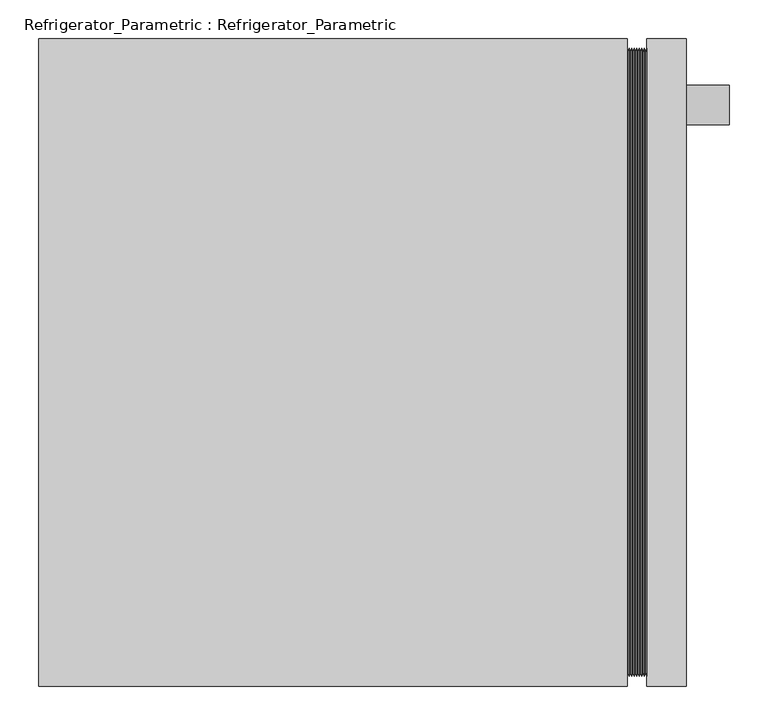
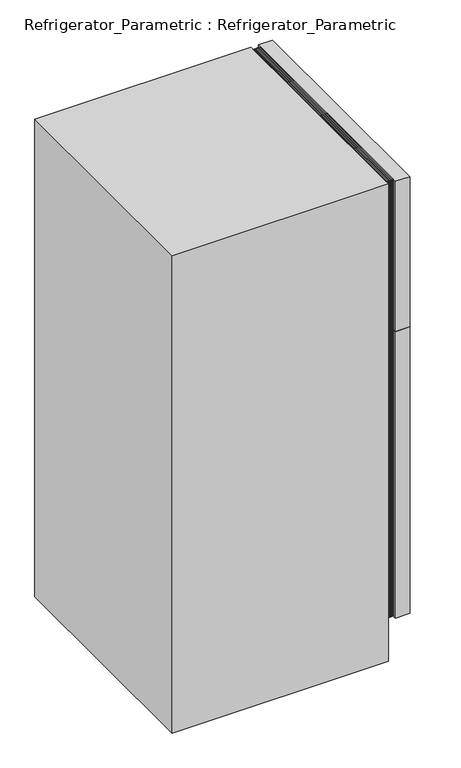
"""IFC4 building model written with IfcOpenShell, lengths in millimetres: proxy geometry, Refrigerator_Parametric : Refrigerator_Parametric."""

from ifc_helpers import new_model, si_unit, point, frame, frame_2d, origin, place, context, project, spatial, polyline, circle_curve, trimmed, segment, composite_curve, outline, extrude, faceted_brep, source, transform, mapped, element, save


def refrigerator_parametric_refrigerator_parametric_f3fd9008(model_context):
    return source(origin(), model_context, "Body", "SolidModel", [
        faceted_brep([(762.747486, -18.833629, 1771.866371), (762.747486, -18.833629, 1225.333629), (762.0, -12.7, 1219.2), (762.0, -12.7, 1778.0), (764.3909869, -12.7, 1778.0), (764.3909869, -12.7, 1219.2), (766.0344878, -18.833629, 1771.866371), (766.0344878, -18.833629, 1225.333629), (767.6779888, -12.7, 1778.0), (767.6779888, -12.7, 1219.2), (769.3214897, -18.833629, 1771.866371), (769.3214897, -18.833629, 1225.333629), (770.9649906, -12.7, 1778.0), (770.9649906, -12.7, 1219.2), (772.6084916, -18.833629, 1771.866371), (772.6084916, -18.833629, 1225.333629), (774.2519925, -12.7, 1778.0), (774.2519925, -12.7, 1219.2), (775.8954934, -18.833629, 1771.866371), (775.8954934, -18.833629, 1225.333629), (777.5389944, -12.7, 1778.0), (777.5389944, -12.7, 1219.2), (779.1824953, -18.833629, 1771.866371), (779.1824953, -18.833629, 1225.333629), (780.8259963, -12.7, 1778.0), (780.8259963, -12.7, 1219.2), (782.4694972, -18.833629, 1771.866371), (782.4694972, -18.833629, 1225.333629), (784.1129981, -12.7, 1778.0), (784.1129981, -12.7, 1219.2), (785.7564991, -18.833629, 1771.866371), (785.7564991, -18.833629, 1225.333629), (787.4, -12.7, 1778.0), (787.4, -12.7, 1219.2), (786.652514, -31.966371, 1758.733629), (786.652514, -31.966371, 1238.466371), (787.4, -38.1, 1244.6), (787.4, -38.1, 1752.6), (785.0090131, -38.1, 1752.6), (785.0090131, -38.1, 1244.6), (783.3655122, -31.966371, 1758.733629), (783.3655122, -31.966371, 1238.466371), (781.7220112, -38.1, 1752.6), (781.7220112, -38.1, 1244.6), (780.0785103, -31.966371, 1758.733629), (780.0785103, -31.966371, 1238.466371), (778.4350094, -38.1, 1752.6), (778.4350094, -38.1, 1244.6), (776.7915084, -31.966371, 1758.733629), (776.7915084, -31.966371, 1238.466371), (775.1480075, -38.1, 1752.6), (775.1480075, -38.1, 1244.6), (773.5045066, -31.966371, 1758.733629), (773.5045066, -31.966371, 1238.466371), (771.8610056, -38.1, 1752.6), (771.8610056, -38.1, 1244.6), (770.2175047, -31.966371, 1758.733629), (770.2175047, -31.966371, 1238.466371), (768.5740037, -38.1, 1752.6), (768.5740037, -38.1, 1244.6), (766.9305028, -31.966371, 1758.733629), (766.9305028, -31.966371, 1238.466371), (765.2870019, -38.1, 1752.6), (765.2870019, -38.1, 1244.6), (763.6435009, -31.966371, 1758.733629), (763.6435009, -31.966371, 1238.466371), (762.0, -38.1, 1752.6), (762.0, -38.1, 1244.6), (762.747486, -819.366371, 1225.333629), (762.0, -825.5, 1219.2), (764.3909869, -825.5, 1219.2), (766.0344878, -819.366371, 1225.333629), (767.6779888, -825.5, 1219.2), (769.3214897, -819.366371, 1225.333629), (770.9649906, -825.5, 1219.2), (772.6084916, -819.366371, 1225.333629), (774.2519925, -825.5, 1219.2), (775.8954934, -819.366371, 1225.333629), (777.5389944, -825.5, 1219.2), (779.1824953, -819.366371, 1225.333629), (780.8259963, -825.5, 1219.2), (782.4694972, -819.366371, 1225.333629), (784.1129981, -825.5, 1219.2), (785.7564991, -819.366371, 1225.333629), (787.4, -825.5, 1219.2), (786.652514, -806.233629, 1238.466371), (787.4, -800.1, 1244.6), (785.0090131, -800.1, 1244.6), (783.3655122, -806.233629, 1238.466371), (781.7220112, -800.1, 1244.6), (780.0785103, -806.233629, 1238.466371), (778.4350094, -800.1, 1244.6), (776.7915084, -806.233629, 1238.466371), (775.1480075, -800.1, 1244.6), (773.5045066, -806.233629, 1238.466371), (771.8610056, -800.1, 1244.6), (770.2175047, -806.233629, 1238.466371), (768.5740037, -800.1, 1244.6), (766.9305028, -806.233629, 1238.466371), (765.2870019, -800.1, 1244.6), (763.6435009, -806.233629, 1238.466371), (762.0, -800.1, 1244.6), (762.747486, -819.366371, 1771.866371), (762.0, -825.5, 1778.0), (764.3909869, -825.5, 1778.0), (766.0344878, -819.366371, 1771.866371), (767.6779888, -825.5, 1778.0), (769.3214897, -819.366371, 1771.866371), (770.9649906, -825.5, 1778.0), (772.6084916, -819.366371, 1771.866371), (774.2519925, -825.5, 1778.0), (775.8954934, -819.366371, 1771.866371), (777.5389944, -825.5, 1778.0), (779.1824953, -819.366371, 1771.866371), (780.8259963, -825.5, 1778.0), (782.4694972, -819.366371, 1771.866371), (784.1129981, -825.5, 1778.0), (785.7564991, -819.366371, 1771.866371), (787.4, -825.5, 1778.0), (786.652514, -806.233629, 1758.733629), (787.4, -800.1, 1752.6), (785.0090131, -800.1, 1752.6), (783.3655122, -806.233629, 1758.733629), (781.7220112, -800.1, 1752.6), (780.0785103, -806.233629, 1758.733629), (778.4350094, -800.1, 1752.6), (776.7915084, -806.233629, 1758.733629), (775.1480075, -800.1, 1752.6), (773.5045066, -806.233629, 1758.733629), (771.8610056, -800.1, 1752.6), (770.2175047, -806.233629, 1758.733629), (768.5740037, -800.1, 1752.6), (766.9305028, -806.233629, 1758.733629), (765.2870019, -800.1, 1752.6), (763.6435009, -806.233629, 1758.733629), (762.0, -800.1, 1752.6)], [[[0, 1, 2, 3]], [[4, 5, 1, 0]], [[6, 7, 5, 4]], [[8, 9, 7, 6]], [[10, 11, 9, 8]], [[12, 13, 11, 10]], [[14, 15, 13, 12]], [[16, 17, 15, 14]], [[18, 19, 17, 16]], [[20, 21, 19, 18]], [[22, 23, 21, 20]], [[24, 25, 23, 22]], [[26, 27, 25, 24]], [[28, 29, 27, 26]], [[30, 31, 29, 28]], [[32, 33, 31, 30]], [[34, 35, 36, 37]], [[38, 39, 35, 34]], [[40, 41, 39, 38]], [[42, 43, 41, 40]], [[44, 45, 43, 42]], [[46, 47, 45, 44]], [[48, 49, 47, 46]], [[50, 51, 49, 48]], [[52, 53, 51, 50]], [[54, 55, 53, 52]], [[56, 57, 55, 54]], [[58, 59, 57, 56]], [[60, 61, 59, 58]], [[62, 63, 61, 60]], [[64, 65, 63, 62]], [[66, 67, 65, 64]], [[1, 68, 69, 2]], [[5, 70, 68, 1]], [[7, 71, 70, 5]], [[9, 72, 71, 7]], [[11, 73, 72, 9]], [[13, 74, 73, 11]], [[15, 75, 74, 13]], [[17, 76, 75, 15]], [[19, 77, 76, 17]], [[21, 78, 77, 19]], [[23, 79, 78, 21]], [[25, 80, 79, 23]], [[27, 81, 80, 25]], [[29, 82, 81, 27]], [[31, 83, 82, 29]], [[33, 84, 83, 31]], [[35, 85, 86, 36]], [[39, 87, 85, 35]], [[41, 88, 87, 39]], [[43, 89, 88, 41]], [[45, 90, 89, 43]], [[47, 91, 90, 45]], [[49, 92, 91, 47]], [[51, 93, 92, 49]], [[53, 94, 93, 51]], [[55, 95, 94, 53]], [[57, 96, 95, 55]], [[59, 97, 96, 57]], [[61, 98, 97, 59]], [[63, 99, 98, 61]], [[65, 100, 99, 63]], [[67, 101, 100, 65]], [[68, 102, 103, 69]], [[70, 104, 102, 68]], [[71, 105, 104, 70]], [[72, 106, 105, 71]], [[73, 107, 106, 72]], [[74, 108, 107, 73]], [[75, 109, 108, 74]], [[76, 110, 109, 75]], [[77, 111, 110, 76]], [[78, 112, 111, 77]], [[79, 113, 112, 78]], [[80, 114, 113, 79]], [[81, 115, 114, 80]], [[82, 116, 115, 81]], [[83, 117, 116, 82]], [[84, 118, 117, 83]], [[85, 119, 120, 86]], [[87, 121, 119, 85]], [[88, 122, 121, 87]], [[89, 123, 122, 88]], [[90, 124, 123, 89]], [[91, 125, 124, 90]], [[92, 126, 125, 91]], [[93, 127, 126, 92]], [[94, 128, 127, 93]], [[95, 129, 128, 94]], [[96, 130, 129, 95]], [[97, 131, 130, 96]], [[98, 132, 131, 97]], [[99, 133, 132, 98]], [[100, 134, 133, 99]], [[101, 135, 134, 100]], [[102, 0, 3, 103]], [[104, 4, 0, 102]], [[105, 6, 4, 104]], [[106, 8, 6, 105]], [[107, 10, 8, 106]], [[108, 12, 10, 107]], [[109, 14, 12, 108]], [[110, 16, 14, 109]], [[111, 18, 16, 110]], [[112, 20, 18, 111]], [[113, 22, 20, 112]], [[114, 24, 22, 113]], [[115, 26, 24, 114]], [[116, 28, 26, 115]], [[117, 30, 28, 116]], [[118, 32, 30, 117]], [[33, 32, 118, 84], [37, 36, 86, 120]], [[119, 34, 37, 120]], [[121, 38, 34, 119]], [[122, 40, 38, 121]], [[123, 42, 40, 122]], [[124, 44, 42, 123]], [[125, 46, 44, 124]], [[126, 48, 46, 125]], [[127, 50, 48, 126]], [[128, 52, 50, 127]], [[129, 54, 52, 128]], [[130, 56, 54, 129]], [[131, 58, 56, 130]], [[132, 60, 58, 131]], [[133, 62, 60, 132]], [[134, 64, 62, 133]], [[135, 66, 64, 134]], [[3, 2, 69, 103], [67, 66, 135, 101]]]),
        faceted_brep([(762.747486, -18.833629, 1213.066371), (762.747486, -18.833629, 158.533629), (762.0, -12.7, 152.4), (762.0, -12.7, 1219.2), (764.3909869, -12.7, 1219.2), (764.3909869, -12.7, 152.4), (766.0344878, -18.833629, 1213.066371), (766.0344878, -18.833629, 158.533629), (767.6779888, -12.7, 1219.2), (767.6779888, -12.7, 152.4), (769.3214897, -18.833629, 1213.066371), (769.3214897, -18.833629, 158.533629), (770.9649906, -12.7, 1219.2), (770.9649906, -12.7, 152.4), (772.6084916, -18.833629, 1213.066371), (772.6084916, -18.833629, 158.533629), (774.2519925, -12.7, 1219.2), (774.2519925, -12.7, 152.4), (775.8954934, -18.833629, 1213.066371), (775.8954934, -18.833629, 158.533629), (777.5389944, -12.7, 1219.2), (777.5389944, -12.7, 152.4), (779.1824953, -18.833629, 1213.066371), (779.1824953, -18.833629, 158.533629), (780.8259963, -12.7, 1219.2), (780.8259963, -12.7, 152.4), (782.4694972, -18.833629, 1213.066371), (782.4694972, -18.833629, 158.533629), (784.1129981, -12.7, 1219.2), (784.1129981, -12.7, 152.4), (785.7564991, -18.833629, 1213.066371), (785.7564991, -18.833629, 158.533629), (787.4, -12.7, 1219.2), (787.4, -12.7, 152.4), (786.652514, -31.966371, 1199.933629), (786.652514, -31.966371, 171.666371), (787.4, -38.1, 177.8), (787.4, -38.1, 1193.8), (785.0090131, -38.1, 1193.8), (785.0090131, -38.1, 177.8), (783.3655122, -31.966371, 1199.933629), (783.3655122, -31.966371, 171.666371), (781.7220112, -38.1, 1193.8), (781.7220112, -38.1, 177.8), (780.0785103, -31.966371, 1199.933629), (780.0785103, -31.966371, 171.666371), (778.4350094, -38.1, 1193.8), (778.4350094, -38.1, 177.8), (776.7915084, -31.966371, 1199.933629), (776.7915084, -31.966371, 171.666371), (775.1480075, -38.1, 1193.8), (775.1480075, -38.1, 177.8), (773.5045066, -31.966371, 1199.933629), (773.5045066, -31.966371, 171.666371), (771.8610056, -38.1, 1193.8), (771.8610056, -38.1, 177.8), (770.2175047, -31.966371, 1199.933629), (770.2175047, -31.966371, 171.666371), (768.5740037, -38.1, 1193.8), (768.5740037, -38.1, 177.8), (766.9305028, -31.966371, 1199.933629), (766.9305028, -31.966371, 171.666371), (765.2870019, -38.1, 1193.8), (765.2870019, -38.1, 177.8), (763.6435009, -31.966371, 1199.933629), (763.6435009, -31.966371, 171.666371), (762.0, -38.1, 1193.8), (762.0, -38.1, 177.8), (762.747486, -819.366371, 158.533629), (762.0, -825.5, 152.4), (764.3909869, -825.5, 152.4), (766.0344878, -819.366371, 158.533629), (767.6779888, -825.5, 152.4), (769.3214897, -819.366371, 158.533629), (770.9649906, -825.5, 152.4), (772.6084916, -819.366371, 158.533629), (774.2519925, -825.5, 152.4), (775.8954934, -819.366371, 158.533629), (777.5389944, -825.5, 152.4), (779.1824953, -819.366371, 158.533629), (780.8259963, -825.5, 152.4), (782.4694972, -819.366371, 158.533629), (784.1129981, -825.5, 152.4), (785.7564991, -819.366371, 158.533629), (787.4, -825.5, 152.4), (786.652514, -806.233629, 171.666371), (787.4, -800.1, 177.8), (785.0090131, -800.1, 177.8), (783.3655122, -806.233629, 171.666371), (781.7220112, -800.1, 177.8), (780.0785103, -806.233629, 171.666371), (778.4350094, -800.1, 177.8), (776.7915084, -806.233629, 171.666371), (775.1480075, -800.1, 177.8), (773.5045066, -806.233629, 171.666371), (771.8610056, -800.1, 177.8), (770.2175047, -806.233629, 171.666371), (768.5740037, -800.1, 177.8), (766.9305028, -806.233629, 171.666371), (765.2870019, -800.1, 177.8), (763.6435009, -806.233629, 171.666371), (762.0, -800.1, 177.8), (762.747486, -819.366371, 1213.066371), (762.0, -825.5, 1219.2), (764.3909869, -825.5, 1219.2), (766.0344878, -819.366371, 1213.066371), (767.6779888, -825.5, 1219.2), (769.3214897, -819.366371, 1213.066371), (770.9649906, -825.5, 1219.2), (772.6084916, -819.366371, 1213.066371), (774.2519925, -825.5, 1219.2), (775.8954934, -819.366371, 1213.066371), (777.5389944, -825.5, 1219.2), (779.1824953, -819.366371, 1213.066371), (780.8259963, -825.5, 1219.2), (782.4694972, -819.366371, 1213.066371), (784.1129981, -825.5, 1219.2), (785.7564991, -819.366371, 1213.066371), (787.4, -825.5, 1219.2), (786.652514, -806.233629, 1199.933629), (787.4, -800.1, 1193.8), (785.0090131, -800.1, 1193.8), (783.3655122, -806.233629, 1199.933629), (781.7220112, -800.1, 1193.8), (780.0785103, -806.233629, 1199.933629), (778.4350094, -800.1, 1193.8), (776.7915084, -806.233629, 1199.933629), (775.1480075, -800.1, 1193.8), (773.5045066, -806.233629, 1199.933629), (771.8610056, -800.1, 1193.8), (770.2175047, -806.233629, 1199.933629), (768.5740037, -800.1, 1193.8), (766.9305028, -806.233629, 1199.933629), (765.2870019, -800.1, 1193.8), (763.6435009, -806.233629, 1199.933629), (762.0, -800.1, 1193.8)], [[[0, 1, 2, 3]], [[4, 5, 1, 0]], [[6, 7, 5, 4]], [[8, 9, 7, 6]], [[10, 11, 9, 8]], [[12, 13, 11, 10]], [[14, 15, 13, 12]], [[16, 17, 15, 14]], [[18, 19, 17, 16]], [[20, 21, 19, 18]], [[22, 23, 21, 20]], [[24, 25, 23, 22]], [[26, 27, 25, 24]], [[28, 29, 27, 26]], [[30, 31, 29, 28]], [[32, 33, 31, 30]], [[34, 35, 36, 37]], [[38, 39, 35, 34]], [[40, 41, 39, 38]], [[42, 43, 41, 40]], [[44, 45, 43, 42]], [[46, 47, 45, 44]], [[48, 49, 47, 46]], [[50, 51, 49, 48]], [[52, 53, 51, 50]], [[54, 55, 53, 52]], [[56, 57, 55, 54]], [[58, 59, 57, 56]], [[60, 61, 59, 58]], [[62, 63, 61, 60]], [[64, 65, 63, 62]], [[66, 67, 65, 64]], [[1, 68, 69, 2]], [[5, 70, 68, 1]], [[7, 71, 70, 5]], [[9, 72, 71, 7]], [[11, 73, 72, 9]], [[13, 74, 73, 11]], [[15, 75, 74, 13]], [[17, 76, 75, 15]], [[19, 77, 76, 17]], [[21, 78, 77, 19]], [[23, 79, 78, 21]], [[25, 80, 79, 23]], [[27, 81, 80, 25]], [[29, 82, 81, 27]], [[31, 83, 82, 29]], [[33, 84, 83, 31]], [[35, 85, 86, 36]], [[39, 87, 85, 35]], [[41, 88, 87, 39]], [[43, 89, 88, 41]], [[45, 90, 89, 43]], [[47, 91, 90, 45]], [[49, 92, 91, 47]], [[51, 93, 92, 49]], [[53, 94, 93, 51]], [[55, 95, 94, 53]], [[57, 96, 95, 55]], [[59, 97, 96, 57]], [[61, 98, 97, 59]], [[63, 99, 98, 61]], [[65, 100, 99, 63]], [[67, 101, 100, 65]], [[68, 102, 103, 69]], [[70, 104, 102, 68]], [[71, 105, 104, 70]], [[72, 106, 105, 71]], [[73, 107, 106, 72]], [[74, 108, 107, 73]], [[75, 109, 108, 74]], [[76, 110, 109, 75]], [[77, 111, 110, 76]], [[78, 112, 111, 77]], [[79, 113, 112, 78]], [[80, 114, 113, 79]], [[81, 115, 114, 80]], [[82, 116, 115, 81]], [[83, 117, 116, 82]], [[84, 118, 117, 83]], [[85, 119, 120, 86]], [[87, 121, 119, 85]], [[88, 122, 121, 87]], [[89, 123, 122, 88]], [[90, 124, 123, 89]], [[91, 125, 124, 90]], [[92, 126, 125, 91]], [[93, 127, 126, 92]], [[94, 128, 127, 93]], [[95, 129, 128, 94]], [[96, 130, 129, 95]], [[97, 131, 130, 96]], [[98, 132, 131, 97]], [[99, 133, 132, 98]], [[100, 134, 133, 99]], [[101, 135, 134, 100]], [[102, 0, 3, 103]], [[104, 4, 0, 102]], [[105, 6, 4, 104]], [[106, 8, 6, 105]], [[107, 10, 8, 106]], [[108, 12, 10, 107]], [[109, 14, 12, 108]], [[110, 16, 14, 109]], [[111, 18, 16, 110]], [[112, 20, 18, 111]], [[113, 22, 20, 112]], [[114, 24, 22, 113]], [[115, 26, 24, 114]], [[116, 28, 26, 115]], [[117, 30, 28, 116]], [[118, 32, 30, 117]], [[33, 32, 118, 84], [37, 36, 86, 120]], [[119, 34, 37, 120]], [[121, 38, 34, 119]], [[122, 40, 38, 121]], [[123, 42, 40, 122]], [[124, 44, 42, 123]], [[125, 46, 44, 124]], [[126, 48, 46, 125]], [[127, 50, 48, 126]], [[128, 52, 50, 127]], [[129, 54, 52, 128]], [[130, 56, 54, 129]], [[131, 58, 56, 130]], [[132, 60, 58, 131]], [[133, 62, 60, 132]], [[134, 64, 62, 133]], [[135, 66, 64, 134]], [[3, 2, 69, 103], [67, 66, 135, 101]]]),
        extrude(outline(polyline([(838.2, -838.2), (787.4, -838.2), (787.4, 0.0), (838.2, 0.0), (838.2, -838.2)])), frame((0.0, 0.0, 152.4), z_axis=(0.0, 0.0, 1.0), x_axis=(1.0, 0.0, 0.0)), (0.0, 0.0, 1.0), 1066.8),
        extrude(outline(polyline([(838.2, -838.2), (787.4, -838.2), (787.4, 0.0), (838.2, 0.0), (838.2, -838.2)])), frame((0.0, 0.0, 1219.2), z_axis=(0.0, 0.0, 1.0), x_axis=(1.0, 0.0, 0.0)), (0.0, 0.0, 1.0), 558.8),
        faceted_brep([(762.0, -838.2, 1778.0), (762.0, 0.0, 1778.0), (0.0, 0.0, 1778.0), (0.0, -838.2, 1778.0), (762.0, -838.2, 0.0), (0.0, -838.2, 0.0), (0.0, 0.0, 0.0), (762.0, 0.0, 0.0), (762.0, -38.1, 1193.8), (762.0, -38.1, 177.8), (762.0, -800.1, 177.8), (762.0, -800.1, 1193.8), (762.0, -38.1, 1752.6), (762.0, -38.1, 1244.6), (762.0, -800.1, 1244.6), (762.0, -800.1, 1752.6), (38.1, -800.1, 1193.8), (38.1, -38.1, 1193.8), (38.1, -38.1, 177.8), (38.1, -800.1, 177.8), (38.1, -800.1, 1752.6), (38.1, -38.1, 1752.6), (38.1, -38.1, 1244.6), (38.1, -800.1, 1244.6)], [[[0, 1, 2, 3]], [[4, 5, 6, 7]], [[3, 5, 4, 0]], [[2, 6, 5, 3]], [[1, 7, 6, 2]], [[0, 4, 7, 1], [8, 9, 10, 11], [12, 13, 14, 15]], [[8, 11, 16, 17]], [[10, 9, 18, 19]], [[11, 10, 19, 16]], [[16, 19, 18, 17]], [[17, 18, 9, 8]], [[12, 15, 20, 21]], [[14, 13, 22, 23]], [[15, 14, 23, 20]], [[20, 23, 22, 21]], [[21, 22, 13, 12]]]),
        extrude(outline(composite_curve([segment(polyline([(669.6067977, 832.7493311), (666.3490825, 838.2)]), True, "CONTINUOUS"), segment(trimmed(circle_curve(frame_2d((869.5490825, 498.2145126)), 396.081269), [point((666.3490825, 838.2))], [point((1072.7490825, 838.2))], False, "CARTESIAN"), True, "CONTINUOUS"), segment(polyline([(1072.7490825, 838.2), (1069.4913672, 832.7493311)]), True, "CONTINUOUS"), segment(trimmed(circle_curve(frame_2d((869.5490825, 498.2145126)), 389.731269), [point((1069.4913672, 832.7493311))], [point((669.6067977, 832.7493311))], True, "CARTESIAN"), True, "CONTINUOUS")], self_intersect=False)), frame((0.0, -111.2699571, 0.0), z_axis=(0.0, 1.0, 0.0), x_axis=(0.0, 0.0, 1.0)), (0.0, 0.0, 1.0), 50.8),
        extrude(outline(composite_curve([segment(polyline([(1279.2067977, 832.7493311), (1275.9490825, 838.2)]), True, "CONTINUOUS"), segment(trimmed(circle_curve(frame_2d((1479.1490825, 498.2145126)), 396.081269), [point((1275.9490825, 838.2))], [point((1682.3490825, 838.2))], False, "CARTESIAN"), True, "CONTINUOUS"), segment(polyline([(1682.3490825, 838.2), (1679.0913672, 832.7493311)]), True, "CONTINUOUS"), segment(trimmed(circle_curve(frame_2d((1479.1490825, 498.2145126)), 389.731269), [point((1679.0913672, 832.7493311))], [point((1279.2067977, 832.7493311))], True, "CARTESIAN"), True, "CONTINUOUS")], self_intersect=False)), frame((0.0, -111.2699571, 0.0), z_axis=(0.0, 1.0, 0.0), x_axis=(0.0, 0.0, 1.0)), (0.0, 0.0, 1.0), 50.8),
    ])


if __name__ == "__main__":
    model = new_model("IFC4")
    model_context = context("Model", 3, world=origin())
    ifc_project = project(units=[si_unit("LENGTHUNIT", "METRE", prefix="MILLI")], contexts=[model_context])
    site = spatial("IfcSite", under=ifc_project)
    building = spatial("IfcBuilding", under=site)
    placement = place(None, origin())
    refrigerator_parametric_refrigerator_parametric_shape = refrigerator_parametric_refrigerator_parametric_f3fd9008(model_context)
    element("IfcBuildingElementProxy", 1, Name="Refrigerator_Parametric : Refrigerator_Parametric", ObjectType="Refrigerator_Parametric : Refrigerator_Parametric", at=placement, inside=building, context=model_context, shape_type="MappedRepresentation", body=[
        mapped(refrigerator_parametric_refrigerator_parametric_shape, transform((0.0, 0.0, 0.0), x_axis=(1.0, 0.0, 0.0), y_axis=(0.0, 1.0, 0.0), z_axis=(0.0, 0.0, 1.0))),
    ])
    save(model, "model.ifc")
